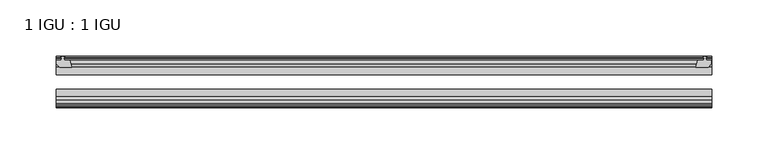
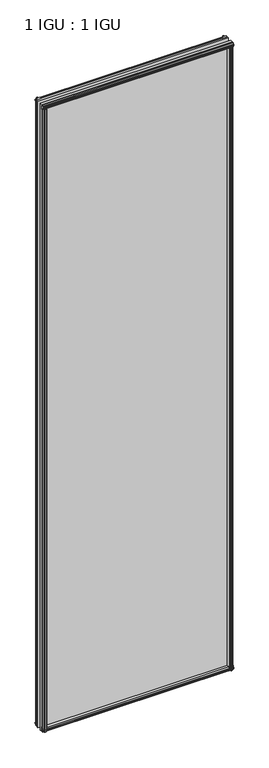
"""IFC4 building model written with IfcOpenShell, lengths in millimetres: plate geometry, 1 IGU : 1 IGU."""

from ifc_helpers import new_model, si_unit, frame, origin, place, context, project, spatial, polyline, outline, extrude, source, transform, mapped, element, save


def plate_1_igu_1_igu_59d32b39(model_context):
    return source(origin(), model_context, "Body", "SweptSolid", [
        extrude(outline(polyline([(293.6181709, -10.4746158), (295.7957, -9.7670938), (297.9732291, -10.4746158), (297.9732291, -11.27583), (296.5577, -10.8158968), (296.9387, -13.1960938), (301.3837, -13.1960938), (301.3837, -16.1424938), (298.5493578, -19.5460938), (287.7279819, -19.5460938), (289.4457, -13.1960938), (294.6527, -13.1960938), (295.0337, -10.8158968), (293.6181709, -11.27583), (293.6181709, -10.4746158)])), frame((0.0, 0.0, -12.4587), z_axis=(0.0, 0.0, 1.0), x_axis=(1.0, 0.0, 0.0)), (0.0, 0.0, 1.0), 2018.8173999),
        extrude(outline(polyline([(-273.2730437, -9.7670937), (-271.0955147, -10.4746158), (-271.0955147, -11.27583), (-272.5110437, -10.8158968), (-272.1300437, -13.1960937), (-266.9230437, -13.1960937), (-265.2053257, -19.5460937), (-276.0267016, -19.5460937), (-278.8610437, -16.1424937), (-278.8610437, -13.1960937), (-274.4160437, -13.1960937), (-274.0350437, -10.8158968), (-275.4505728, -11.27583), (-275.4505728, -10.4746158), (-273.2730437, -9.7670937)])), frame((0.0, 0.0, -12.4587), z_axis=(0.0, 0.0, 1.0), x_axis=(1.0, 0.0, 0.0)), (0.0, 0.0, 1.0), 2018.8173999),
        extrude(outline(polyline([(287.2105839, -44.9460938), (298.0319598, -44.9460938), (300.866302, -48.3496938), (300.866302, -51.2960938), (296.421302, -51.2960938), (296.040302, -53.6762907), (297.455831, -53.2163575), (297.455831, -54.0175717), (295.278302, -54.7250938), (293.1007729, -54.0175717), (293.1007729, -53.2163575), (294.516302, -53.6762907), (294.135302, -51.2960938), (288.928302, -51.2960938), (287.2105839, -44.9460938)])), frame((0.0, 0.0, -12.4587), z_axis=(0.0, 0.0, 1.0), x_axis=(1.0, 0.0, 0.0)), (0.0, 0.0, 1.0), 2006.1173999),
        extrude(outline(polyline([(-264.6846257, -44.9460937), (-266.4023437, -51.2960937), (-271.6093437, -51.2960937), (-271.9903437, -53.6762907), (-270.5748147, -53.2163575), (-270.5748147, -54.0175717), (-272.7523437, -54.7250937), (-274.9298728, -54.0175717), (-274.9298728, -53.2163575), (-273.5143437, -53.6762907), (-273.8953437, -51.2960937), (-278.3403437, -51.2960937), (-278.3403437, -48.3496937), (-275.5060016, -44.9460937), (-264.6846257, -44.9460937)])), frame((0.0, 0.0, -12.4587), z_axis=(0.0, 0.0, 1.0), x_axis=(1.0, 0.0, 0.0)), (0.0, 0.0, 1.0), 2006.1173999),
        extrude(outline(polyline([(-10.4746158, -4.6931709), (-9.7670937, -6.8707), (-10.4746158, -9.0482291), (-11.27583, -9.0482291), (-10.8158968, -7.6327), (-13.1960937, -8.0137), (-13.1960937, -12.4587), (-16.1424937, -12.4587), (-19.5460937, -9.6243578), (-19.5460937, 1.1970181), (-13.1960937, -0.5207), (-13.1960937, -5.7277), (-10.8158968, -6.1087), (-11.27583, -4.6931709), (-10.4746158, -4.6931709)])), frame((-278.9039062, 0.0, 0.0), z_axis=(1.0, 0.0, 0.0), x_axis=(0.0, 1.0, 0.0)), (0.0, 0.0, 1.0), 580.5289062),
        extrude(outline(polyline([(-44.9460937, 1.7177181), (-44.9460937, -9.1036578), (-48.3496937, -11.938), (-51.2960937, -11.938), (-51.2960937, -7.493), (-53.6762907, -7.112), (-53.2163575, -8.5275291), (-54.0175717, -8.5275291), (-54.7250937, -6.35), (-54.0175717, -4.1724709), (-53.2163575, -4.1724709), (-53.6762907, -5.588), (-51.2960937, -5.207), (-51.2960937, 0.0), (-44.9460937, 1.7177181)])), frame((-278.9039062, 0.0, 0.0), z_axis=(1.0, 0.0, 0.0), x_axis=(0.0, 1.0, 0.0)), (0.0, 0.0, 1.0), 580.5289062),
        extrude(outline(polyline([(-10.8158968, 2001.5326999), (-11.27583, 2002.948229), (-10.4746158, 2002.948229), (-9.7670937, 2000.7706999), (-10.4746158, 1998.5931709), (-11.27583, 1998.5931709), (-10.8158968, 2000.0086999), (-13.1960937, 1999.6276999), (-13.1960937, 1994.4206999), (-19.5460938, 1992.7029819), (-19.5460938, 2003.5243578), (-16.1424937, 2006.3586999), (-13.1960937, 2006.3586999), (-13.1960937, 2001.9136999), (-10.8158968, 2001.5326999)])), frame((-278.9039062, 0.0, 0.0), z_axis=(1.0, 0.0, 0.0), x_axis=(0.0, 1.0, 0.0)), (0.0, 0.0, 1.0), 580.5289062),
        extrude(outline(polyline([(-51.2960937, 2005.8379999), (-48.3496937, 2005.8379999), (-44.9460938, 2003.0036578), (-44.9460938, 1992.1822819), (-51.2960937, 1993.8999999), (-51.2960937, 1999.1069999), (-53.6762907, 1999.4879999), (-53.2163575, 1998.0724709), (-54.0175717, 1998.0724709), (-54.7250937, 2000.2499999), (-54.0175717, 2002.427529), (-53.2163575, 2002.427529), (-53.6762907, 2001.0119999), (-51.2960937, 2001.3929999), (-51.2960937, 2005.8379999)])), frame((-278.9039062, 0.0, 0.0), z_axis=(1.0, 0.0, 0.0), x_axis=(0.0, 1.0, 0.0)), (0.0, 0.0, 1.0), 580.5289062),
        extrude(outline(polyline([(-278.9039062, -38.9186738), (301.625, -38.9186738), (301.625, -44.9460937), (-278.9039062, -44.9460937), (-278.9039062, -38.9186738)])), frame((0.0, 0.0, -12.7), z_axis=(0.0, 0.0, 1.0), x_axis=(1.0, 0.0, 0.0)), (0.0, 0.0, 1.0), 2019.2999999),
        extrude(outline(polyline([(-278.9039062, -19.5460937), (301.625, -19.5460937), (301.625, -25.8960938), (-278.9039062, -25.8960938), (-278.9039062, -19.5460937)])), frame((0.0, 0.0, -12.7), z_axis=(0.0, 0.0, 1.0), x_axis=(1.0, 0.0, 0.0)), (0.0, 0.0, 1.0), 2019.2999999),
    ])


if __name__ == "__main__":
    model = new_model("IFC4")
    model_context = context("Model", 3, world=origin())
    ifc_project = project(units=[si_unit("LENGTHUNIT", "METRE", prefix="MILLI")], contexts=[model_context])
    site = spatial("IfcSite", under=ifc_project)
    building = spatial("IfcBuilding", under=site)
    placement = place(None, origin())
    plate_1_igu_1_igu_shape = plate_1_igu_1_igu_59d32b39(model_context)
    element("IfcPlate", 1, ObjectType="1 IGU : 1 IGU", at=placement, inside=building, context=model_context, shape_type="MappedRepresentation", body=[
        mapped(plate_1_igu_1_igu_shape, transform((0.0, 0.0, 0.0), x_axis=(1.0, 0.0, 0.0), y_axis=(0.0, 1.0, 0.0), z_axis=(0.0, 0.0, 1.0))),
    ])
    save(model, "model.ifc")
